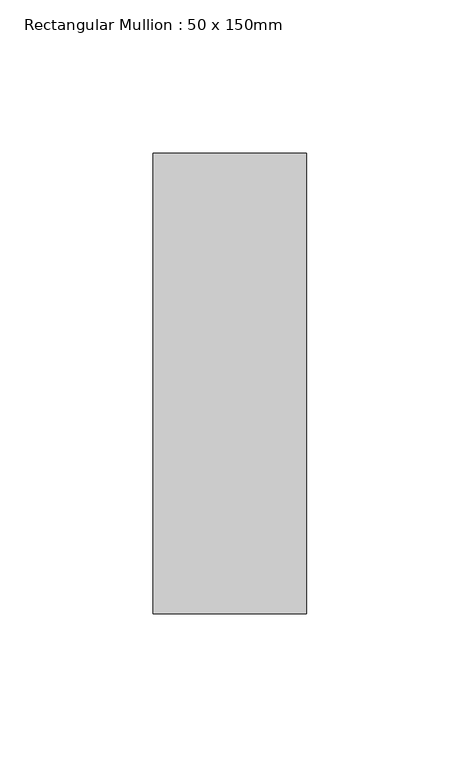
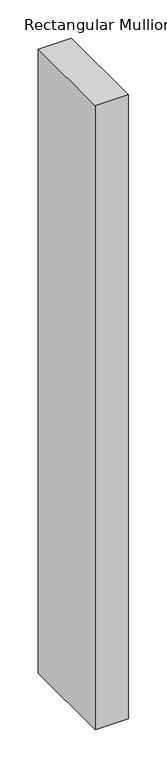
"""IFC4 building model written with IfcOpenShell, lengths in millimetres: member geometry, Rectangular Mullion : 50 x 150mm."""

import ifcopenshell
import ifcopenshell.guid

model = None  # the IFC model being written
_history = None  # IfcOwnerHistory: only IFC2X3 demands one
_inside = {}  # id of a spatial element -> (the spatial element, [elements in it])
_under = {}  # id of a project, library or spatial element -> (it, [spatial elements below it])
_declared = {}  # id of a project -> (the project, [libraries it declares])
_typed = {}  # id of a type object -> (the type object, [elements of that type])
_made_of = {}  # id of a material, layer set ... -> (it, [elements and type objects made of it])


def new_model(schema):
    """Start an empty IFC model of exactly this schema.

    Asked for "IFC4X3", IfcOpenShell would pick the latest addendum, in which some entities
    have other attributes; the version numbers below select the first issue.
    IFC2X3 requires an IfcOwnerHistory on every rooted entity: one is made here for all.
    """
    global model, _history
    if schema == "IFC4X3":
        model = ifcopenshell.file(schema_version=(4, 3, 0, 0))
    else:
        model = ifcopenshell.file(schema=schema)
    _inside.clear()
    _under.clear()
    _declared.clear()
    _typed.clear()
    _made_of.clear()
    _history = None
    if model.schema == "IFC2X3":
        org = make("IfcOrganization", Name="unknown")
        user = make(
            "IfcPersonAndOrganization",
            ThePerson=make("IfcPerson", FamilyName="unknown"),
            TheOrganization=org,
        )
        app = make(
            "IfcApplication",
            ApplicationDeveloper=org,
            Version="unknown",
            ApplicationFullName="unknown",
            ApplicationIdentifier="unknown",
        )
        _history = make(
            "IfcOwnerHistory",
            OwningUser=user,
            OwningApplication=app,
            ChangeAction="ADDED",
            CreationDate=0,
        )
    return model


def make(cls, **values):
    """One entity of the class cls with the attributes given. An attribute that is None is left unset."""
    return model.create_entity(
        cls, **{name: value for name, value in values.items() if value is not None}
    )


def rooted(cls, **values):
    """An entity with a GlobalId (a new one), such as an element, a storey or a relation."""
    return make(cls, GlobalId=ifcopenshell.guid.new(), OwnerHistory=_history, **values)


def si_unit(unit_type, name, prefix=None):
    """IfcSIUnit, for example si_unit("LENGTHUNIT", "METRE", prefix="MILLI")."""
    return make("IfcSIUnit", UnitType=unit_type, Prefix=prefix, Name=name)


def assignment(units):
    """IfcUnitAssignment: the units of a project."""
    return None if units is None else make("IfcUnitAssignment", Units=units)


def point(xyz):
    """IfcCartesianPoint."""
    return None if xyz is None else make("IfcCartesianPoint", Coordinates=xyz)


def direction(xyz):
    """IfcDirection."""
    return None if xyz is None else make("IfcDirection", DirectionRatios=xyz)


def frame(location, z_axis=None, x_axis=None):
    """IfcAxis2Placement3D, a coordinate frame: its origin and axes. An axis left out is left unset."""
    return make(
        "IfcAxis2Placement3D",
        Location=point(location),
        Axis=direction(z_axis),
        RefDirection=direction(x_axis),
    )


def origin():
    """The frame at (0, 0, 0) with its axes left unset."""
    return frame((0.0, 0.0, 0.0))


def place(relative_to, where):
    """IfcLocalPlacement: puts the frame where relative to a parent placement (None: the world)."""
    return make(
        "IfcLocalPlacement", PlacementRelTo=relative_to, RelativePlacement=where
    )


def context(
    kind, dimensions, precision=None, world=None, true_north=None, identifier=None
):
    """IfcGeometricRepresentationContext, for example the 3D "Model" context."""
    return make(
        "IfcGeometricRepresentationContext",
        ContextIdentifier=identifier,
        ContextType=kind,
        CoordinateSpaceDimension=dimensions,
        Precision=precision,
        WorldCoordinateSystem=world,
        TrueNorth=true_north,
    )


def project(units=None, contexts=None):
    """IfcProject with its units and contexts."""
    return rooted(
        "IfcProject",
        Name="project",
        RepresentationContexts=contexts,
        UnitsInContext=assignment(units),
    )


def spatial(cls, under=None, at=None, **own):
    """A site, building, storey or space (cls), placed at a placement, below another one or the project."""
    s = rooted(cls, ObjectPlacement=at, **own)
    if under is not None:
        _under.setdefault(under.id(), (under, []))[1].append(s)
    return s


def polyline(points):
    """IfcPolyline through the points."""
    return make("IfcPolyline", Points=[point(p) for p in points])


def outline(outer, holes=None, kind="AREA"):
    """IfcArbitraryClosedProfileDef: a profile drawn as a closed curve; with holes, ...WithVoids."""
    if holes is None:
        return make("IfcArbitraryClosedProfileDef", ProfileType=kind, OuterCurve=outer)
    return make(
        "IfcArbitraryProfileDefWithVoids",
        ProfileType=kind,
        OuterCurve=outer,
        InnerCurves=holes,
    )


def extrude(swept, where, along, depth):
    """IfcExtrudedAreaSolid: the profile swept, set in the frame where, extruded along a direction by depth."""
    return make(
        "IfcExtrudedAreaSolid",
        SweptArea=swept,
        Position=where,
        ExtrudedDirection=direction(along),
        Depth=depth,
    )


def shape(context_of_items, identifier, shape_type, items):
    """IfcShapeRepresentation: the items that make up one representation, for example the "Body"."""
    return make(
        "IfcShapeRepresentation",
        ContextOfItems=context_of_items,
        RepresentationIdentifier=identifier,
        RepresentationType=shape_type,
        Items=items,
    )


def source(mapping_origin, context_of_items, identifier, shape_type, items):
    """IfcRepresentationMap: a shape defined once, which mapped items show again and again."""
    return make(
        "IfcRepresentationMap",
        MappingOrigin=mapping_origin,
        MappedRepresentation=shape(context_of_items, identifier, shape_type, items),
    )


def transform(
    local_origin,
    x_axis=None,
    y_axis=None,
    z_axis=None,
    scale=None,
    scale2=None,
    scale3=None,
    uniform=True,
):
    """IfcCartesianTransformationOperator3D, or its non-uniform kind. x_axis, y_axis, z_axis: its Axis1, 2, 3."""
    if uniform:
        return make(
            "IfcCartesianTransformationOperator3D",
            Axis1=direction(x_axis),
            Axis2=direction(y_axis),
            LocalOrigin=point(local_origin),
            Scale=scale,
            Axis3=direction(z_axis),
        )
    return make(
        "IfcCartesianTransformationOperator3DnonUniform",
        Axis1=direction(x_axis),
        Axis2=direction(y_axis),
        LocalOrigin=point(local_origin),
        Scale=scale,
        Axis3=direction(z_axis),
        Scale2=scale2,
        Scale3=scale3,
    )


def mapped(mapping_source, mapping_target):
    """IfcMappedItem: shows the shape of a source again, moved by a transform."""
    return make(
        "IfcMappedItem", MappingSource=mapping_source, MappingTarget=mapping_target
    )


def made_of(thing, what):
    """Note that an element or type object is made of a material, layer set ...; save() writes the relation."""
    if what is not None:
        _made_of.setdefault(what.id(), (what, []))[1].append(thing)
    return thing


def element(
    cls,
    number,
    at=None,
    inside=None,
    cuts=None,
    type_object=None,
    material=None,
    context=None,
    identifier="Body",
    shape_type=None,
    held_by="IfcProductDefinitionShape",
    body=None,
    shapes=None,
    **own,
):
    """One element of the class cls, such as IfcWall. Its Tag is "e" and its number.

    at: its placement. inside: the storey or other place that contains it. cuts: it is an
    opening in that element (IfcRelVoidsElement). A single representation is given by context,
    identifier, shape_type and body (its items); several are given by shapes. held_by: the class
    of the entity that holds the representations. save() writes the other relations.
    """
    e = rooted(cls, Tag="e%d" % number, ObjectPlacement=at, **own)
    if body is not None:
        shapes = [shape(context, identifier, shape_type, body)]
    if shapes is not None:
        e.Representation = make(held_by, Representations=shapes)
    if inside is not None:
        _inside.setdefault(inside.id(), (inside, []))[1].append(e)
    if cuts is not None:
        rooted(
            "IfcRelVoidsElement", RelatingBuildingElement=cuts, RelatedOpeningElement=e
        )
    if type_object is not None:
        _typed.setdefault(type_object.id(), (type_object, []))[1].append(e)
    return made_of(e, material)


def aggregate(whole, parts):
    """IfcRelAggregates: a whole, such as a stair, and the parts it consists of."""
    return rooted("IfcRelAggregates", RelatingObject=whole, RelatedObjects=parts)


def save(model, path):
    """Write the relations noted so far, then the file.

    IfcRelAggregates (storeys below a building ...), IfcRelContainedInSpatialStructure (elements
    in a storey), IfcRelDefinesByType, IfcRelAssociatesMaterial and IfcRelDeclares: one each for
    every whole, place, type object, material and project.
    """
    for whole, parts in _under.values():
        aggregate(whole, parts)
    for where, things in _inside.values():
        rooted(
            "IfcRelContainedInSpatialStructure",
            RelatedElements=things,
            RelatingStructure=where,
        )
    for kind, things in _typed.values():
        rooted("IfcRelDefinesByType", RelatedObjects=things, RelatingType=kind)
    for what, things in _made_of.values():
        rooted("IfcRelAssociatesMaterial", RelatedObjects=things, RelatingMaterial=what)
    for by, libraries in _declared.values():
        rooted("IfcRelDeclares", RelatingContext=by, RelatedDefinitions=libraries)
    model.write(path)


def rectangular_mullion_50_x_150mm_e906d187(model_context):
    return source(origin(), model_context, "Body", "SweptSolid", [
        extrude(outline(polyline([(25.0, 75.0), (25.0, -75.0), (-25.0, -75.0), (-25.0, 75.0), (25.0, 75.0)])), frame((0.0, 0.0, -998.3333333), z_axis=(0.0, 0.0, 1.0), x_axis=(1.0, 0.0, 0.0)), (0.0, 0.0, 1.0), 998.3333333),
    ])


if __name__ == "__main__":
    model = new_model("IFC4")
    model_context = context("Model", 3, world=origin())
    ifc_project = project(units=[si_unit("LENGTHUNIT", "METRE", prefix="MILLI")], contexts=[model_context])
    site = spatial("IfcSite", under=ifc_project)
    building = spatial("IfcBuilding", under=site)
    placement = place(None, origin())
    rectangular_mullion_50_x_150mm_shape = rectangular_mullion_50_x_150mm_e906d187(model_context)
    element("IfcMember", 1, ObjectType="Rectangular Mullion : 50 x 150mm", at=placement, inside=building, context=model_context, shape_type="MappedRepresentation", body=[
        mapped(rectangular_mullion_50_x_150mm_shape, transform((0.0, 0.0, 0.0), x_axis=(1.0, 0.0, 0.0), y_axis=(0.0, 1.0, 0.0), z_axis=(0.0, 0.0, 1.0))),
    ])
    save(model, "model.ifc")
